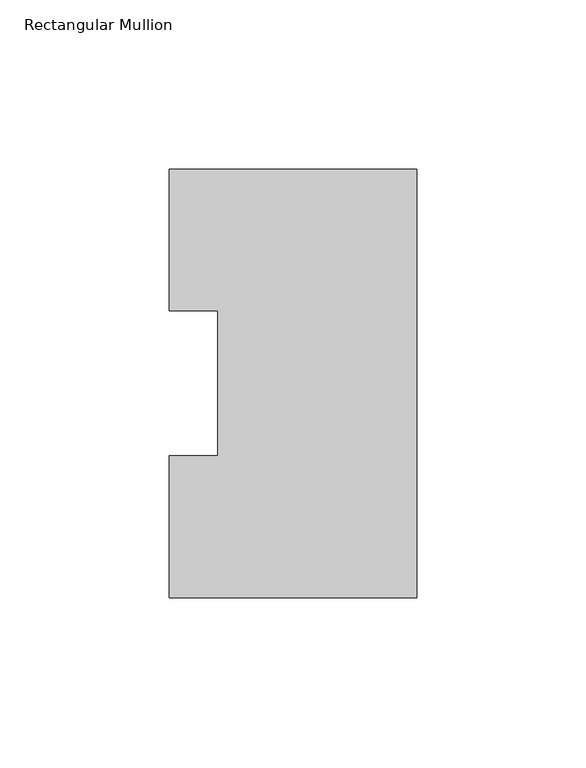
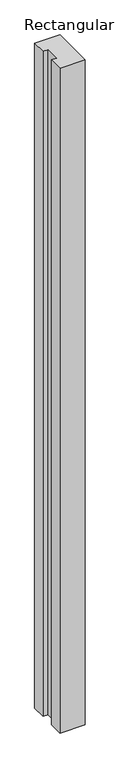
"""IFC4 building model written with IfcOpenShell, lengths in millimetres: member geometry, Rectangular Mullion."""

from ifc_helpers import new_model, si_unit, frame, origin, place, context, project, spatial, polyline, outline, extrude, source, transform, mapped, element, save


def rectangular_mullion_ba76f9c5(model_context):
    return source(origin(), model_context, "Body", "SweptSolid", [
        extrude(outline(polyline([(9.525, 126.75235), (9.525, 0.26035), (-63.5, 0.26035), (-63.5, 42.0814491), (-49.2125, 42.0814491), (-49.2125, 84.93125), (-63.5, 84.93125), (-63.5, 126.75235), (9.525, 126.75235)])), frame((0.0, 0.0, -2044.7227299), z_axis=(0.0, 0.0, 1.0), x_axis=(1.0, 0.0, 0.0)), (0.0, 0.0, 1.0), 2044.7227299),
    ])


if __name__ == "__main__":
    model = new_model("IFC4")
    model_context = context("Model", 3, world=origin())
    ifc_project = project(units=[si_unit("LENGTHUNIT", "METRE", prefix="MILLI")], contexts=[model_context])
    site = spatial("IfcSite", under=ifc_project)
    building = spatial("IfcBuilding", under=site)
    placement = place(None, origin())
    rectangular_mullion_shape = rectangular_mullion_ba76f9c5(model_context)
    element("IfcMember", 1, ObjectType="Rectangular Mullion", at=placement, inside=building, context=model_context, shape_type="MappedRepresentation", body=[
        mapped(rectangular_mullion_shape, transform((0.0, 0.0, 0.0), x_axis=(1.0, 0.0, 0.0), y_axis=(0.0, 1.0, 0.0), z_axis=(0.0, 0.0, 1.0))),
    ])
    save(model, "model.ifc")
